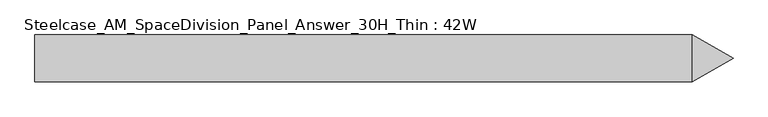
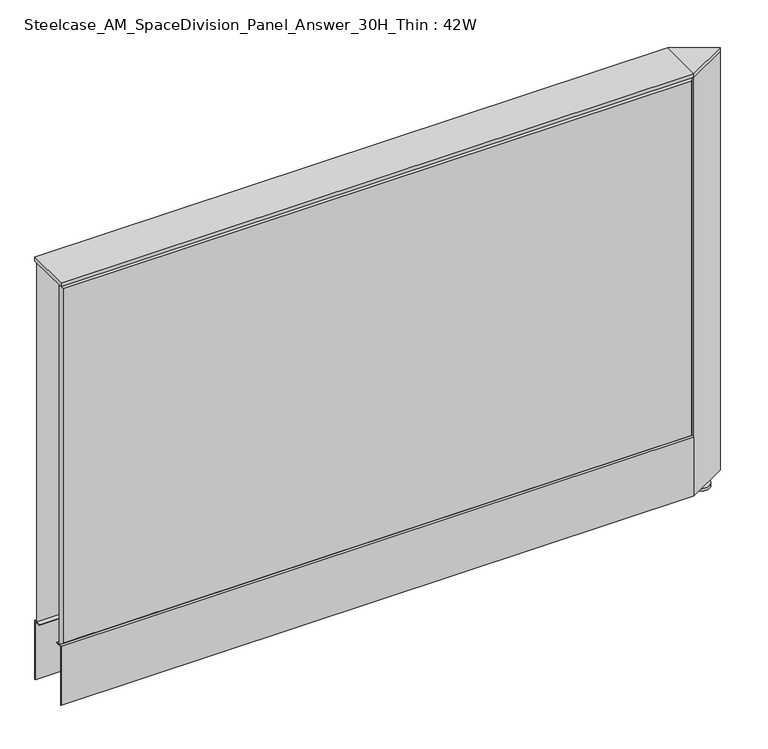
"""IFC4 building model written with IfcOpenShell, lengths in millimetres: furniture geometry, Steelcase_AM_SpaceDivision_Panel_Answer_30H_Thin : 42W."""

from ifc_helpers import new_model, si_unit, point, frame, frame_2d, origin, place, context, project, spatial, polyline, circle_curve, trimmed, segment, composite_curve, outline, extrude, faceted_brep, source, transform, mapped, element, save


def steelcase_am_spacedivision_panel_answer_30h_thin_42w_2d09898d(model_context):
    return source(origin(), model_context, "Body", "SolidModel", [
        extrude(outline(polyline([(37.3075215, 119.8575157), (25.4000011, 119.8575157), (25.4000011, 120.65), (38.1000194, 120.65), (38.1000194, 15.494), (37.3075215, 15.494), (37.3075215, 119.8575157)])), frame((-533.4, 0.0, 0.0), z_axis=(1.0, 0.0, 0.0), x_axis=(0.0, 1.0, 0.0)), (0.0, 0.0, 1.0), 1066.8),
        extrude(outline(polyline([(-37.3075215, 119.8575157), (-37.3075215, 15.494), (-38.1000194, 15.494), (-38.1000194, 120.65), (-25.4000011, 120.65), (-25.4000011, 119.8575157), (-37.3075215, 119.8575157)])), frame((-533.4, 0.0, 0.0), z_axis=(1.0, 0.0, 0.0), x_axis=(0.0, 1.0, 0.0)), (0.0, 0.0, 1.0), 1066.8),
        extrude(outline(composite_curve([segment(trimmed(circle_curve(frame_2d((566.42, -1.94e-05)), 5.08), [point((571.5, -1.94e-05))], [point((561.34, -1.94e-05))], False, "CARTESIAN"), True, "CONTINUOUS"), segment(trimmed(circle_curve(frame_2d((566.42, -1.94e-05)), 5.08), [point((561.34, -1.94e-05))], [point((571.5, -1.94e-05))], False, "CARTESIAN"), True, "CONTINUOUS")], self_intersect=False)), frame((0.0, 0.0, 5.0799671), z_axis=(0.0, 0.0, 1.0), x_axis=(1.0, 0.0, 0.0)), (0.0, 0.0, 1.0), 10.414),
        extrude(outline(composite_curve([segment(trimmed(circle_curve(frame_2d((566.42, -1.94e-05)), 15.24), [point((581.66, -1.94e-05))], [point((551.18, -1.94e-05))], False, "CARTESIAN"), True, "CONTINUOUS"), segment(trimmed(circle_curve(frame_2d((566.42, -1.94e-05)), 15.24), [point((551.18, -1.94e-05))], [point((581.66, -1.94e-05))], False, "CARTESIAN"), True, "CONTINUOUS")], self_intersect=False)), frame((0.0, 0.0, -3.29e-05), z_axis=(0.0, 0.0, 1.0), x_axis=(1.0, 0.0, 0.0)), (0.0, 0.0, 1.0), 5.08),
        extrude(outline(polyline([(533.4, 38.0999611), (599.3935144, -1.94e-05), (533.4, -38.1), (533.4, 38.0999611)])), frame((0.0, 0.0, 761.9999671), z_axis=(0.0, 0.0, 1.0), x_axis=(1.0, 0.0, 0.0)), (0.0, 0.0, 1.0), 6.35),
        extrude(outline(polyline([(533.4, -38.1), (533.4, 38.0999611), (599.3935144, -1.94e-05), (533.4, -38.1)])), frame((0.0, 0.0, 15.4939671), z_axis=(0.0, 0.0, 1.0), x_axis=(1.0, 0.0, 0.0)), (0.0, 0.0, 1.0), 746.506),
        faceted_brep([(528.574, 38.100001, 757.174), (528.574, 38.100001, 125.476), (-528.574, 38.100001, 125.476), (-528.574, 38.100001, 757.174), (533.4, 33.274001, 762.0), (-533.4, 33.274001, 762.0), (-533.4, 33.274001, 120.65), (533.4, 33.274001, 120.65)], [[[0, 1, 2, 3]], [[4, 5, 6, 7]], [[4, 0, 3, 5]], [[5, 3, 2, 6]], [[6, 2, 1, 7]], [[7, 1, 0, 4]]]),
        faceted_brep([(528.574, -38.100001, 757.174), (-528.574, -38.100001, 757.174), (-528.574, -38.100001, 125.476), (528.574, -38.100001, 125.476), (533.4, -33.274001, 762.0), (533.4, -33.274001, 120.65), (-533.4, -33.274001, 120.65), (-533.4, -33.274001, 762.0)], [[[0, 1, 2, 3]], [[4, 5, 6, 7]], [[4, 7, 1, 0]], [[7, 6, 2, 1]], [[6, 5, 3, 2]], [[5, 4, 0, 3]]]),
        extrude(outline(polyline([(533.4, 38.1000194), (533.4, -38.1000194), (-533.4, -38.1000194), (-533.4, 38.1000194), (533.4, 38.1000194)])), frame((0.0, 0.0, 762.0), z_axis=(0.0, 0.0, 1.0), x_axis=(1.0, 0.0, 0.0)), (0.0, 0.0, 1.0), 6.35),
    ])


if __name__ == "__main__":
    model = new_model("IFC4")
    model_context = context("Model", 3, world=origin())
    ifc_project = project(units=[si_unit("LENGTHUNIT", "METRE", prefix="MILLI")], contexts=[model_context])
    site = spatial("IfcSite", under=ifc_project)
    building = spatial("IfcBuilding", under=site)
    placement = place(None, origin())
    steelcase_am_spacedivision_panel_answer_30h_thin_42w_shape = steelcase_am_spacedivision_panel_answer_30h_thin_42w_2d09898d(model_context)
    element("IfcFurniture", 1, ObjectType="Steelcase_AM_SpaceDivision_Panel_Answer_30H_Thin : 42W", at=placement, inside=building, context=model_context, shape_type="MappedRepresentation", body=[
        mapped(steelcase_am_spacedivision_panel_answer_30h_thin_42w_shape, transform((0.0, 0.0, 0.0), x_axis=(1.0, 0.0, 0.0), y_axis=(0.0, 1.0, 0.0), z_axis=(0.0, 0.0, 1.0))),
    ])
    save(model, "model.ifc")
